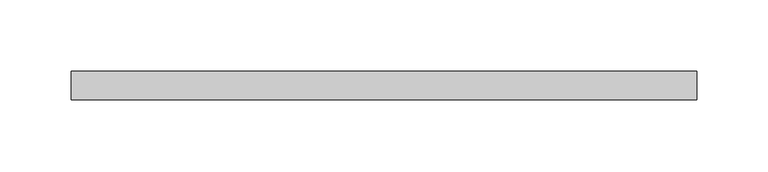
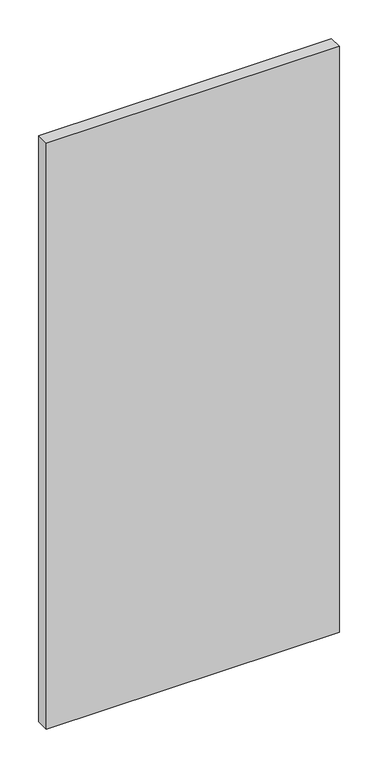
"""IFC4 building model written with IfcOpenShell, lengths in millimetres: plate geometry."""

from ifc_helpers import new_model, si_unit, origin, origin_with_axes, place, context, project, spatial, polyline, outline, extrude, source, transform, mapped, element, save


def plate_c4d9694d(model_context):
    return source(origin(), model_context, "Body", "SweptSolid", [
        extrude(outline(polyline([(218.9375982, 20.0), (-218.9375982, 20.0), (-218.9375982, 40.0), (218.9375982, 40.0), (218.9375982, 20.0)])), origin_with_axes(), (0.0, 0.0, 1.0), 925.0),
    ])


if __name__ == "__main__":
    model = new_model("IFC4")
    model_context = context("Model", 3, world=origin())
    ifc_project = project(units=[si_unit("LENGTHUNIT", "METRE", prefix="MILLI")], contexts=[model_context])
    site = spatial("IfcSite", under=ifc_project)
    building = spatial("IfcBuilding", under=site)
    placement = place(None, origin())
    plate_shape = plate_c4d9694d(model_context)
    element("IfcPlate", 1, at=placement, inside=building, context=model_context, shape_type="MappedRepresentation", body=[
        mapped(plate_shape, transform((0.0, 0.0, 0.0), x_axis=(1.0, 0.0, 0.0), y_axis=(0.0, 1.0, 0.0), z_axis=(0.0, 0.0, 1.0))),
    ])
    save(model, "model.ifc")
